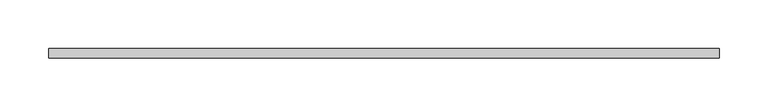
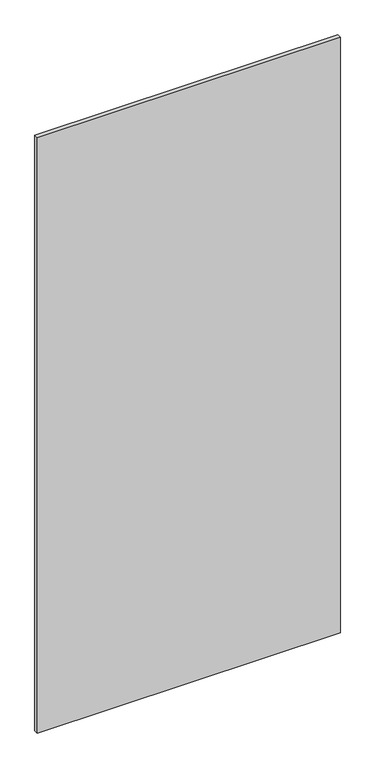
"""IFC4 building model written with IfcOpenShell, lengths in millimetres: plate geometry."""

from ifc_helpers import new_model, si_unit, origin, origin_with_axes, place, context, project, spatial, polyline, outline, extrude, source, transform, mapped, element, save


def plate_ab2b1a6a(model_context):
    return source(origin(), model_context, "Body", "SweptSolid", [
        extrude(outline(polyline([(344.358268, -5.0), (-344.358268, -5.0), (-344.358268, 5.0), (344.358268, 5.0), (344.358268, -5.0)])), origin_with_axes(), (0.0, 0.0, 1.0), 1430.0),
    ])


if __name__ == "__main__":
    model = new_model("IFC4")
    model_context = context("Model", 3, world=origin())
    ifc_project = project(units=[si_unit("LENGTHUNIT", "METRE", prefix="MILLI")], contexts=[model_context])
    site = spatial("IfcSite", under=ifc_project)
    building = spatial("IfcBuilding", under=site)
    placement = place(None, origin())
    plate_shape = plate_ab2b1a6a(model_context)
    element("IfcPlate", 1, at=placement, inside=building, context=model_context, shape_type="MappedRepresentation", body=[
        mapped(plate_shape, transform((0.0, 0.0, 0.0), x_axis=(1.0, 0.0, 0.0), y_axis=(0.0, 1.0, 0.0), z_axis=(0.0, 0.0, 1.0))),
    ])
    save(model, "model.ifc")
